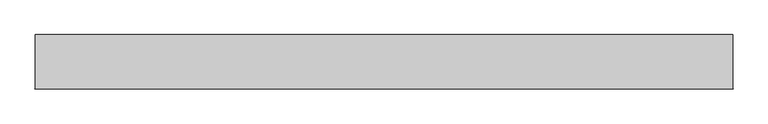
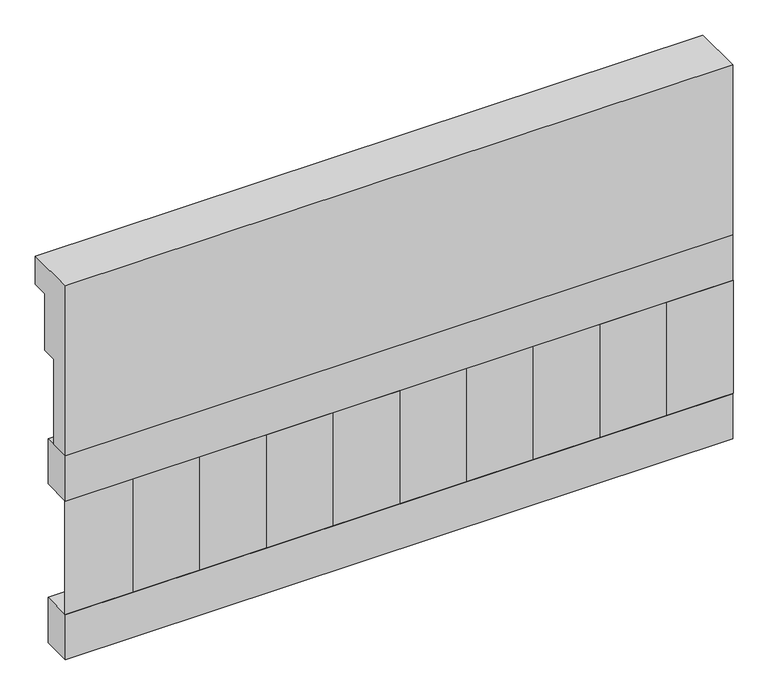
"""IFC4 building model written with IfcOpenShell, lengths in millimetres: railing geometry."""

from ifc_helpers import new_model, si_unit, frame, origin, place, context, project, spatial, polyline, outline, extrude, source, transform, mapped, element, save


def railing_70c263fa(model_context):
    return source(origin(), model_context, "Body", "SweptSolid", [
        extrude(outline(polyline([(903.1079487, 15200.0), (1033.1079487, 15200.0), (1033.1079487, 15125.0), (993.1079487, 15125.0), (993.1079487, 14975.0), (953.1079487, 14975.0), (953.1079487, 14750.0), (903.1079487, 14750.0), (903.1079487, 15200.0)])), frame((36460.0112841, 0.0, 0.0), z_axis=(1.0, 0.0, 0.0), x_axis=(0.0, 1.0, 0.0)), (0.0, 0.0, 1.0), 1670.0),
        extrude(outline(polyline([(38130.0112841, 978.1079487), (38130.0112841, 903.1079487), (36460.0112841, 903.1079487), (36460.0112841, 978.1079487), (38130.0112841, 978.1079487)])), frame((0.0, 0.0, 14630.0), z_axis=(0.0, 0.0, 1.0), x_axis=(1.0, 0.0, 0.0)), (0.0, 0.0, 1.0), 120.0),
        extrude(outline(polyline([(38130.0112841, 978.1079487), (38130.0112841, 903.1079487), (36460.0112841, 903.1079487), (36460.0112841, 978.1079487), (38130.0112841, 978.1079487)])), frame((0.0, 0.0, 14210.0), z_axis=(0.0, 0.0, 1.0), x_axis=(1.0, 0.0, 0.0)), (0.0, 0.0, 1.0), 120.0),
        extrude(outline(polyline([(36543.5112841, 987.9607624), (36628.3640978, 903.1079487), (36458.6584704, 903.1079487), (36543.5112841, 987.9607624)])), frame((0.0, 0.0, 14330.0), z_axis=(0.0, 0.0, 1.0), x_axis=(1.0, 0.0, 0.0)), (0.0, 0.0, 1.0), 300.0),
        extrude(outline(polyline([(36710.5112841, 987.9607624), (36795.3640978, 903.1079487), (36625.6584704, 903.1079487), (36710.5112841, 987.9607624)])), frame((0.0, 0.0, 14330.0), z_axis=(0.0, 0.0, 1.0), x_axis=(1.0, 0.0, 0.0)), (0.0, 0.0, 1.0), 300.0),
        extrude(outline(polyline([(36877.5112841, 987.9607624), (36962.3640978, 903.1079487), (36792.6584704, 903.1079487), (36877.5112841, 987.9607624)])), frame((0.0, 0.0, 14330.0), z_axis=(0.0, 0.0, 1.0), x_axis=(1.0, 0.0, 0.0)), (0.0, 0.0, 1.0), 300.0),
        extrude(outline(polyline([(37044.5112841, 987.9607624), (37129.3640978, 903.1079487), (36959.6584704, 903.1079487), (37044.5112841, 987.9607624)])), frame((0.0, 0.0, 14330.0), z_axis=(0.0, 0.0, 1.0), x_axis=(1.0, 0.0, 0.0)), (0.0, 0.0, 1.0), 300.0),
        extrude(outline(polyline([(37211.5112841, 987.9607624), (37296.3640978, 903.1079487), (37126.6584704, 903.1079487), (37211.5112841, 987.9607624)])), frame((0.0, 0.0, 14330.0), z_axis=(0.0, 0.0, 1.0), x_axis=(1.0, 0.0, 0.0)), (0.0, 0.0, 1.0), 300.0),
        extrude(outline(polyline([(37378.5112841, 987.9607624), (37463.3640978, 903.1079487), (37293.6584704, 903.1079487), (37378.5112841, 987.9607624)])), frame((0.0, 0.0, 14330.0), z_axis=(0.0, 0.0, 1.0), x_axis=(1.0, 0.0, 0.0)), (0.0, 0.0, 1.0), 300.0),
        extrude(outline(polyline([(37545.5112841, 987.9607624), (37630.3640978, 903.1079487), (37460.6584704, 903.1079487), (37545.5112841, 987.9607624)])), frame((0.0, 0.0, 14330.0), z_axis=(0.0, 0.0, 1.0), x_axis=(1.0, 0.0, 0.0)), (0.0, 0.0, 1.0), 300.0),
        extrude(outline(polyline([(37712.5112841, 987.9607624), (37797.3640978, 903.1079487), (37627.6584704, 903.1079487), (37712.5112841, 987.9607624)])), frame((0.0, 0.0, 14330.0), z_axis=(0.0, 0.0, 1.0), x_axis=(1.0, 0.0, 0.0)), (0.0, 0.0, 1.0), 300.0),
        extrude(outline(polyline([(37879.5112841, 987.9607624), (37964.3640978, 903.1079487), (37794.6584704, 903.1079487), (37879.5112841, 987.9607624)])), frame((0.0, 0.0, 14330.0), z_axis=(0.0, 0.0, 1.0), x_axis=(1.0, 0.0, 0.0)), (0.0, 0.0, 1.0), 300.0),
        extrude(outline(polyline([(38046.5112841, 987.9607624), (38131.3640978, 903.1079487), (37961.6584704, 903.1079487), (38046.5112841, 987.9607624)])), frame((0.0, 0.0, 14330.0), z_axis=(0.0, 0.0, 1.0), x_axis=(1.0, 0.0, 0.0)), (0.0, 0.0, 1.0), 300.0),
    ])


if __name__ == "__main__":
    model = new_model("IFC4")
    model_context = context("Model", 3, world=origin())
    ifc_project = project(units=[si_unit("LENGTHUNIT", "METRE", prefix="MILLI")], contexts=[model_context])
    site = spatial("IfcSite", under=ifc_project)
    building = spatial("IfcBuilding", under=site)
    placement = place(None, origin())
    railing_shape = railing_70c263fa(model_context)
    element("IfcRailing", 1, at=placement, inside=building, context=model_context, shape_type="MappedRepresentation", body=[
        mapped(railing_shape, transform((0.0, 0.0, 0.0), x_axis=(1.0, 0.0, 0.0), y_axis=(0.0, 1.0, 0.0), z_axis=(0.0, 0.0, 1.0))),
    ])
    save(model, "model.ifc")
